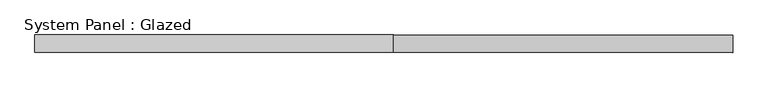
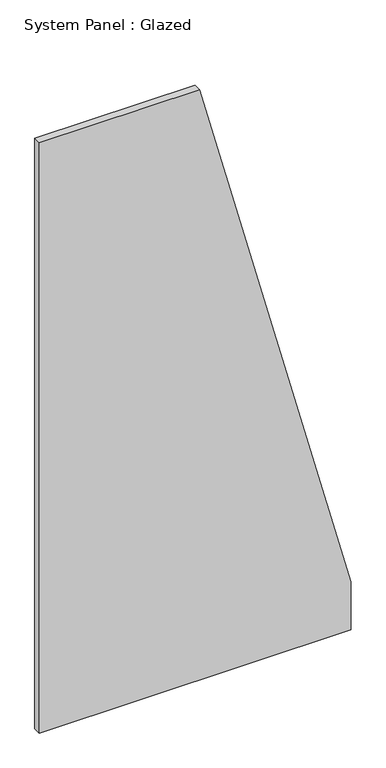
"""IFC4 building model written with IfcOpenShell, lengths in millimetres: plate geometry, System Panel : Glazed."""

from ifc_helpers import new_model, si_unit, frame, origin, place, context, project, spatial, polyline, outline, extrude, source, transform, mapped, element, save


def system_panel_glazed_6b136438(model_context):
    return source(origin(), model_context, "Body", "SweptSolid", [
        extrude(outline(polyline([(0.0, -500.0), (0.0, 500.0), (162.162161, 500.0), (2000.0, 14.285714), (2000.0, -500.0), (0.0, -500.0)])), frame((0.0, 24.5, 0.0), z_axis=(0.0, 1.0, 0.0), x_axis=(0.0, 0.0, 1.0)), (0.0, 0.0, 1.0), 25.0),
    ])


if __name__ == "__main__":
    model = new_model("IFC4")
    model_context = context("Model", 3, world=origin())
    ifc_project = project(units=[si_unit("LENGTHUNIT", "METRE", prefix="MILLI")], contexts=[model_context])
    site = spatial("IfcSite", under=ifc_project)
    building = spatial("IfcBuilding", under=site)
    placement = place(None, origin())
    system_panel_glazed_shape = system_panel_glazed_6b136438(model_context)
    element("IfcPlate", 1, ObjectType="System Panel : Glazed", at=placement, inside=building, context=model_context, shape_type="MappedRepresentation", body=[
        mapped(system_panel_glazed_shape, transform((0.0, 0.0, 0.0), x_axis=(1.0, 0.0, 0.0), y_axis=(0.0, 1.0, 0.0), z_axis=(0.0, 0.0, 1.0))),
    ])
    save(model, "model.ifc")
